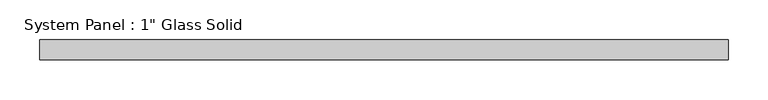
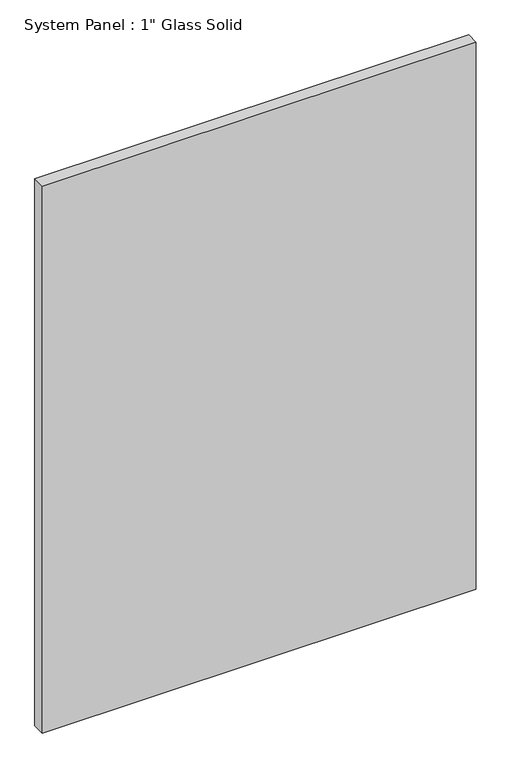
"""IFC4 building model written with IfcOpenShell, lengths in millimetres: plate geometry."""

from ifc_helpers import new_model, si_unit, origin, origin_with_axes, place, context, project, spatial, polyline, outline, extrude, source, transform, mapped, element, save


def plate_ba2448d1(model_context):
    return source(origin(), model_context, "Body", "SweptSolid", [
        extrude(outline(polyline([(433.3883852, -12.7), (-433.3883852, -12.7), (-433.3883852, 12.7), (433.3883852, 12.7), (433.3883852, -12.7)])), origin_with_axes(), (0.0, 0.0, 1.0), 1154.5441382),
    ])


if __name__ == "__main__":
    model = new_model("IFC4")
    model_context = context("Model", 3, world=origin())
    ifc_project = project(units=[si_unit("LENGTHUNIT", "METRE", prefix="MILLI")], contexts=[model_context])
    site = spatial("IfcSite", under=ifc_project)
    building = spatial("IfcBuilding", under=site)
    placement = place(None, origin())
    plate_shape = plate_ba2448d1(model_context)
    element("IfcPlate", 1, ObjectType="System Panel : 1\" Glass Solid", at=placement, inside=building, context=model_context, shape_type="MappedRepresentation", body=[
        mapped(plate_shape, transform((0.0, 0.0, 0.0), x_axis=(1.0, 0.0, 0.0), y_axis=(0.0, 1.0, 0.0), z_axis=(0.0, 0.0, 1.0))),
    ])
    save(model, "model.ifc")
